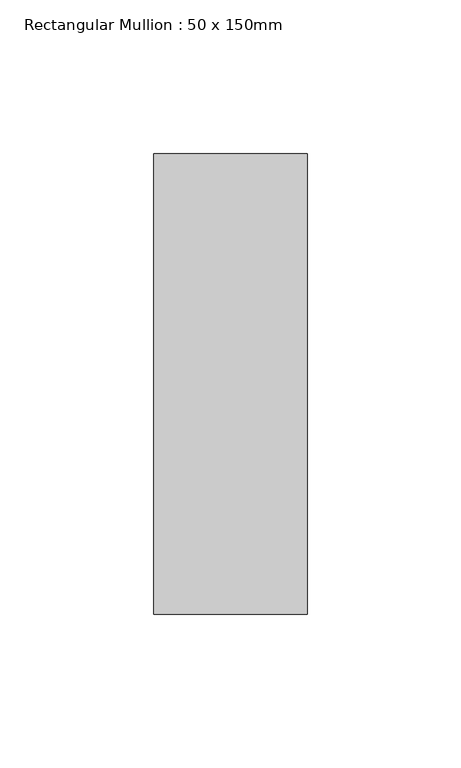
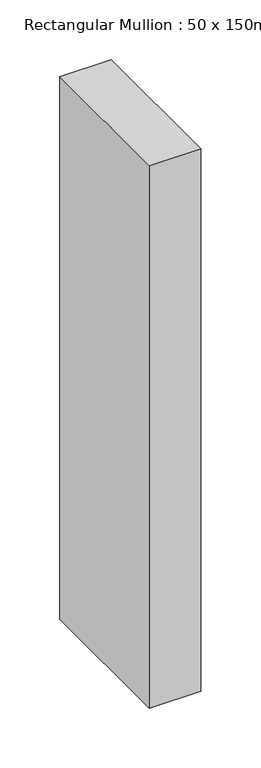
"""IFC4 building model written with IfcOpenShell, lengths in millimetres: member geometry, Rectangular Mullion : 50 x 150mm."""

from ifc_helpers import new_model, si_unit, frame, origin, place, context, project, spatial, polyline, outline, extrude, source, transform, mapped, element, save


def rectangular_mullion_50_x_150mm_24c4fb82(model_context):
    return source(origin(), model_context, "Body", "SweptSolid", [
        extrude(outline(polyline([(0.0, 75.0), (0.0, -75.0), (-50.0, -75.0), (-50.0, 75.0), (0.0, 75.0)])), frame((0.0, 0.0, -555.0), z_axis=(0.0, 0.0, 1.0), x_axis=(1.0, 0.0, 0.0)), (0.0, 0.0, 1.0), 555.0),
    ])


if __name__ == "__main__":
    model = new_model("IFC4")
    model_context = context("Model", 3, world=origin())
    ifc_project = project(units=[si_unit("LENGTHUNIT", "METRE", prefix="MILLI")], contexts=[model_context])
    site = spatial("IfcSite", under=ifc_project)
    building = spatial("IfcBuilding", under=site)
    placement = place(None, origin())
    rectangular_mullion_50_x_150mm_shape = rectangular_mullion_50_x_150mm_24c4fb82(model_context)
    element("IfcMember", 1, ObjectType="Rectangular Mullion : 50 x 150mm", at=placement, inside=building, context=model_context, shape_type="MappedRepresentation", body=[
        mapped(rectangular_mullion_50_x_150mm_shape, transform((0.0, 0.0, 0.0), x_axis=(1.0, 0.0, 0.0), y_axis=(0.0, 1.0, 0.0), z_axis=(0.0, 0.0, 1.0))),
    ])
    save(model, "model.ifc")
